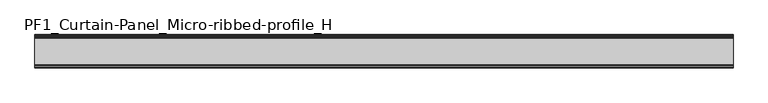
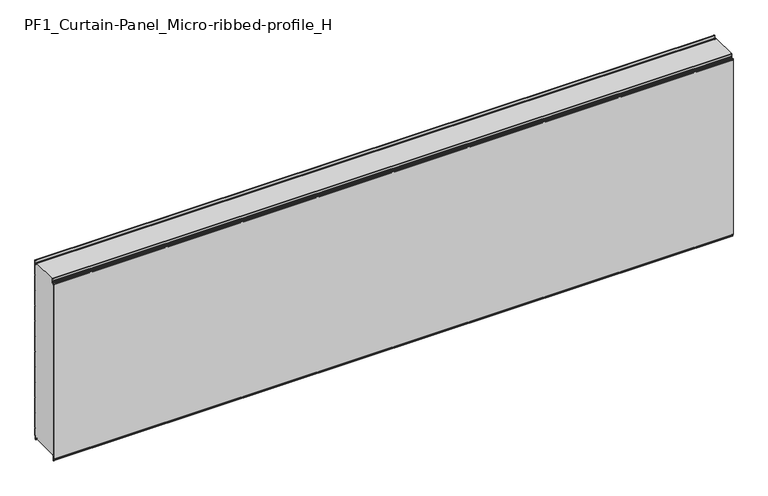
"""IFC4 building model written with IfcOpenShell, lengths in millimetres: plate geometry, PF1_Curtain-Panel_Micro-ribbed-profile_H."""

from ifc_helpers import new_model, si_unit, point, frame, frame_2d, origin, place, context, project, spatial, polyline, circle_curve, trimmed, segment, composite_curve, outline, extrude, source, transform, mapped, element, save


def pf1_curtain_panel_micro_ribbed_profile_h_79207805(model_context):
    return source(origin(), model_context, "Body", "SweptSolid", [
        extrude(outline(composite_curve([segment(polyline([(-190.0, 0.0), (-193.5, 0.0)]), True, "CONTINUOUS"), segment(trimmed(circle_curve(frame_2d((-193.5, -2.0)), 2.0), [point((-193.5, 0.0))], [point((-195.5, -2.0))], True, "CARTESIAN"), True, "CONTINUOUS"), segment(polyline([(-195.5, -2.0), (-195.5, -33.0)]), True, "CONTINUOUS"), segment(trimmed(circle_curve(frame_2d((-196.5, -33.0)), 1.0), [point((-195.5, -33.0))], [point((-197.5, -33.0))], False, "CARTESIAN"), True, "CONTINUOUS"), segment(polyline([(-197.5, -33.0), (-197.5, -26.9)]), True, "CONTINUOUS"), segment(trimmed(circle_curve(frame_2d((-198.4, -26.9)), 0.9), [point((-197.5, -26.9))], [point((-198.4, -26.0))], True, "CARTESIAN"), True, "CONTINUOUS"), segment(trimmed(circle_curve(frame_2d((-198.4, -24.4)), 1.6), [point((-198.4, -26.0))], [point((-200.0, -24.4))], False, "CARTESIAN"), True, "CONTINUOUS"), segment(polyline([(-200.0, -24.4), (-200.0, 1123.168846)]), True, "CONTINUOUS"), segment(trimmed(circle_curve(frame_2d((-199.0, 1123.168846)), 1.0), [point((-200.0, 1123.168846))], [point((-198.0, 1123.168846))], False, "CARTESIAN"), True, "CONTINUOUS"), segment(polyline([(-198.0, 1123.168846), (-198.0, 1117.168846)]), True, "CONTINUOUS"), segment(trimmed(circle_curve(frame_2d((-196.5, 1117.168846)), 1.5), [point((-198.0, 1117.168846))], [point((-195.0, 1117.168846))], True, "CARTESIAN"), True, "CONTINUOUS"), segment(polyline([(-195.0, 1117.168846), (-195.0, 1117.9964664)]), True, "CONTINUOUS"), segment(trimmed(circle_curve(frame_2d((-188.8276204, 1117.9964664)), 6.1723796), [point((-195.0, 1117.9964664))], [point((-188.8276204, 1124.168846))], False, "CARTESIAN"), True, "CONTINUOUS"), segment(polyline([(-188.8276204, 1124.168846), (-188.0, 1124.168846)]), True, "CONTINUOUS"), segment(trimmed(circle_curve(frame_2d((-188.0, 1125.168846)), 1.0), [point((-188.0, 1124.168846))], [point((-187.0, 1125.168846))], True, "CARTESIAN"), True, "CONTINUOUS"), segment(polyline([(-187.0, 1125.168846), (-187.0, 1131.6688472), (-185.4999999, 1133.168846), (-187.0, 1134.6688448), (-187.0, 1146.568846)]), True, "CONTINUOUS"), segment(trimmed(circle_curve(frame_2d((-184.4, 1146.568846)), 2.6), [point((-187.0, 1146.568846))], [point((-184.4, 1149.168846))], False, "CARTESIAN"), True, "CONTINUOUS"), segment(polyline([(-184.4, 1149.168846), (-183.0, 1149.168846), (-183.0, 1148.368846), (-184.4, 1148.368846)]), True, "CONTINUOUS"), segment(trimmed(circle_curve(frame_2d((-184.4, 1146.568846)), 1.8), [point((-184.4, 1148.368846))], [point((-186.2, 1146.568846))], True, "CARTESIAN"), True, "CONTINUOUS"), segment(polyline([(-186.2, 1146.568846), (-186.2, 1135.0002158), (-184.3686285, 1133.168846), (-186.2, 1131.3374762), (-186.2, 1125.168846)]), True, "CONTINUOUS"), segment(trimmed(circle_curve(frame_2d((-188.0, 1125.168846)), 1.8), [point((-186.2, 1125.168846))], [point((-188.0, 1123.368846))], False, "CARTESIAN"), True, "CONTINUOUS"), segment(polyline([(-188.0, 1123.368846), (-188.8276204, 1123.368846)]), True, "CONTINUOUS"), segment(trimmed(circle_curve(frame_2d((-188.8276204, 1117.9964664)), 5.3723796), [point((-188.8276204, 1123.368846))], [point((-194.2, 1117.9964664))], True, "CARTESIAN"), True, "CONTINUOUS"), segment(polyline([(-194.2, 1117.9964664), (-194.2, 1117.168846)]), True, "CONTINUOUS"), segment(trimmed(circle_curve(frame_2d((-196.4, 1117.168846)), 2.2), [point((-194.2, 1117.168846))], [point((-198.6, 1117.168846))], False, "CARTESIAN"), True, "CONTINUOUS"), segment(polyline([(-198.6, 1117.168846), (-198.6, 1123.0579973)]), True, "CONTINUOUS"), segment(trimmed(circle_curve(frame_2d((-198.9, 1123.0579973)), 0.3), [point((-198.6, 1123.0579973))], [point((-199.2, 1123.0579973))], True, "CARTESIAN"), True, "CONTINUOUS"), segment(polyline([(-199.2, 1123.0579973), (-199.2, -24.4)]), True, "CONTINUOUS"), segment(trimmed(circle_curve(frame_2d((-198.4, -24.4)), 0.8), [point((-199.2, -24.4))], [point((-198.4, -25.2))], True, "CARTESIAN"), True, "CONTINUOUS"), segment(trimmed(circle_curve(frame_2d((-198.6133333, -26.9)), 1.7133333), [point((-198.4, -25.2))], [point((-196.9, -26.9))], False, "CARTESIAN"), True, "CONTINUOUS"), segment(polyline([(-196.9, -26.9), (-196.9, -32.8700312)]), True, "CONTINUOUS"), segment(trimmed(circle_curve(frame_2d((-196.6, -32.8700312)), 0.3), [point((-196.9, -32.8700312))], [point((-196.3, -32.8700312))], True, "CARTESIAN"), True, "CONTINUOUS"), segment(polyline([(-196.3, -32.8700312), (-196.3, -2.0)]), True, "CONTINUOUS"), segment(trimmed(circle_curve(frame_2d((-193.5, -2.0)), 2.8), [point((-196.3, -2.0))], [point((-193.5, 0.8))], False, "CARTESIAN"), True, "CONTINUOUS"), segment(polyline([(-193.5, 0.8), (-190.0, 0.8), (-190.0, 0.0)]), True, "CONTINUOUS")], self_intersect=False)), frame((-2100.0, 0.0, 0.0), z_axis=(1.0, 0.0, 0.0), x_axis=(0.0, 1.0, 0.0)), (0.0, 0.0, 1.0), 4200.0),
        extrude(outline(composite_curve([segment(polyline([(-15.878557, 0.0), (-20.0, 0.0), (-20.0, 0.8), (-15.878557, 0.8)]), True, "CONTINUOUS"), segment(trimmed(circle_curve(frame_2d((-15.878557, -2.0)), 2.8), [point((-15.878557, 0.8))], [point((-13.1503208, -1.370137))], False, "CARTESIAN"), True, "CONTINUOUS"), segment(polyline([(-13.1503208, -1.370137), (-11.728236, -7.529863)]), True, "CONTINUOUS"), segment(trimmed(circle_curve(frame_2d((-9.0, -6.9)), 2.8), [point((-11.728236, -7.529863))], [point((-6.2, -6.9))], True, "CARTESIAN"), True, "CONTINUOUS"), segment(polyline([(-6.2, -6.9), (-6.2, 8.6)]), True, "CONTINUOUS"), segment(trimmed(circle_curve(frame_2d((-3.4, 8.6)), 2.8), [point((-6.2, 8.6))], [point((-3.4, 11.4))], False, "CARTESIAN"), True, "CONTINUOUS"), segment(polyline([(-3.4, 11.4), (-2.0, 11.4)]), True, "CONTINUOUS"), segment(trimmed(circle_curve(frame_2d((-2.0, 12.6)), 1.2), [point((-2.0, 11.4))], [point((-0.8, 12.6))], True, "CARTESIAN"), True, "CONTINUOUS"), segment(polyline([(-0.8, 12.6), (-0.8, 57.6856412), (-2.482606, 60.6), (-0.8, 63.5143588), (-0.8, 157.6856412), (-2.482606, 160.6), (-0.8, 163.5143588), (-0.8, 257.6856412), (-2.482606, 260.6), (-0.8, 263.5143588), (-0.8, 357.6856412), (-2.482606, 360.6), (-0.8, 363.5143588), (-0.8, 457.6856412), (-2.482606, 460.6), (-0.8, 463.5143588), (-0.8, 557.6856412), (-2.482606, 560.6), (-0.8, 563.5143588), (-0.8, 657.6856412), (-2.482606, 660.6), (-0.8, 663.5143588), (-0.8, 757.6856412), (-2.482606, 760.6), (-0.8, 763.5143588), (-0.8, 857.6856412), (-2.482606, 860.6), (-0.8, 863.5143588), (-0.8, 957.6856412), (-2.482606, 960.6), (-0.8, 963.5143588), (-0.8, 1057.6856412), (-2.482606, 1060.6), (-0.8, 1063.5143588), (-0.8, 1158.268846)]), True, "CONTINUOUS"), segment(trimmed(circle_curve(frame_2d((-2.5, 1158.268846)), 1.7), [point((-0.8, 1158.268846))], [point((-4.2, 1158.268846))], True, "CARTESIAN"), True, "CONTINUOUS"), segment(polyline([(-4.2, 1158.268846), (-4.2, 1141.268846)]), True, "CONTINUOUS"), segment(trimmed(circle_curve(frame_2d((-9.0, 1141.268846)), 4.8), [point((-4.2, 1141.268846))], [point((-13.7270771, 1140.4353344))], False, "CARTESIAN"), True, "CONTINUOUS"), segment(polyline([(-13.7270771, 1140.4353344), (-14.8636953, 1146.8814129)]), True, "CONTINUOUS"), segment(trimmed(circle_curve(frame_2d((-16.6363492, 1146.568846)), 1.8), [point((-14.8636953, 1146.8814129))], [point((-16.6363492, 1148.368846))], True, "CARTESIAN"), True, "CONTINUOUS"), segment(polyline([(-16.6363492, 1148.368846), (-20.0, 1148.368846), (-20.0, 1149.168846), (-16.6363492, 1149.168846)]), True, "CONTINUOUS"), segment(trimmed(circle_curve(frame_2d((-16.6363492, 1146.568846)), 2.6), [point((-16.6363492, 1149.168846))], [point((-14.0758491, 1147.0203315))], False, "CARTESIAN"), True, "CONTINUOUS"), segment(polyline([(-14.0758491, 1147.0203315), (-12.939231, 1140.574253)]), True, "CONTINUOUS"), segment(trimmed(circle_curve(frame_2d((-9.0, 1141.268846)), 4.0), [point((-12.939231, 1140.574253))], [point((-5.0, 1141.268846))], True, "CARTESIAN"), True, "CONTINUOUS"), segment(polyline([(-5.0, 1141.268846), (-5.0, 1158.268846)]), True, "CONTINUOUS"), segment(trimmed(circle_curve(frame_2d((-2.5, 1158.268846)), 2.5), [point((-5.0, 1158.268846))], [point((0.0, 1158.268846))], False, "CARTESIAN"), True, "CONTINUOUS"), segment(polyline([(0.0, 1158.268846), (0.0, 1063.2999995), (-1.5588455, 1060.6), (0.0, 1057.9000005), (0.0, 963.2999995), (-1.5588455, 960.6), (0.0, 957.9000005), (0.0, 863.2999995), (-1.5588455, 860.6), (0.0, 857.9000005), (0.0, 763.2999995), (-1.5588455, 760.6), (0.0, 757.9000005), (0.0, 663.2999995), (-1.5588455, 660.6), (0.0, 657.9000005), (0.0, 563.2999995), (-1.5588455, 560.6), (0.0, 557.9000005), (0.0, 463.2999995), (-1.5588455, 460.6), (0.0, 457.9000005), (0.0, 363.2999995), (-1.5588455, 360.6), (0.0, 357.9000005), (0.0, 263.2999995), (-1.5588455, 260.6), (0.0, 257.9000005), (0.0, 163.2999995), (-1.5588455, 160.6), (0.0, 157.9000005), (0.0, 63.2999995), (-1.5588455, 60.6), (0.0, 57.9000005), (0.0, 12.6)]), True, "CONTINUOUS"), segment(trimmed(circle_curve(frame_2d((-2.0, 12.6)), 2.0), [point((0.0, 12.6))], [point((-2.0, 10.6))], False, "CARTESIAN"), True, "CONTINUOUS"), segment(polyline([(-2.0, 10.6), (-3.4, 10.6)]), True, "CONTINUOUS"), segment(trimmed(circle_curve(frame_2d((-3.4, 8.6)), 2.0), [point((-3.4, 10.6))], [point((-5.4, 8.6))], True, "CARTESIAN"), True, "CONTINUOUS"), segment(polyline([(-5.4, 8.6), (-5.4, -6.9)]), True, "CONTINUOUS"), segment(trimmed(circle_curve(frame_2d((-9.0, -6.9)), 3.6), [point((-5.4, -6.9))], [point((-12.5077322, -7.7098239))], False, "CARTESIAN"), True, "CONTINUOUS"), segment(polyline([(-12.5077322, -7.7098239), (-13.929817, -1.5500979)]), True, "CONTINUOUS"), segment(trimmed(circle_curve(frame_2d((-15.878557, -2.0)), 2.0), [point((-13.929817, -1.5500979))], [point((-15.878557, 0.0))], True, "CARTESIAN"), True, "CONTINUOUS")], self_intersect=False)), frame((-2100.0, 0.0, 0.0), z_axis=(1.0, 0.0, 0.0), x_axis=(0.0, 1.0, 0.0)), (0.0, 0.0, 1.0), 4200.0),
        extrude(outline(composite_curve([segment(polyline([(-190.0, 0.8), (-193.5, 0.8)]), True, "CONTINUOUS"), segment(trimmed(circle_curve(frame_2d((-193.5, -2.0)), 2.8), [point((-193.5, 0.8))], [point((-196.3, -2.0))], True, "CARTESIAN"), True, "CONTINUOUS"), segment(polyline([(-196.3, -2.0), (-196.3, -32.8700312)]), True, "CONTINUOUS"), segment(trimmed(circle_curve(frame_2d((-196.6, -32.8700312)), 0.3), [point((-196.3, -32.8700312))], [point((-196.9, -32.8700312))], False, "CARTESIAN"), True, "CONTINUOUS"), segment(polyline([(-196.9, -32.8700312), (-196.9, -26.9)]), True, "CONTINUOUS"), segment(trimmed(circle_curve(frame_2d((-198.6133333, -26.9)), 1.7133333), [point((-196.9, -26.9))], [point((-198.4, -25.2))], True, "CARTESIAN"), True, "CONTINUOUS"), segment(trimmed(circle_curve(frame_2d((-198.4, -24.4)), 0.8), [point((-198.4, -25.2))], [point((-199.2, -24.4))], False, "CARTESIAN"), True, "CONTINUOUS"), segment(polyline([(-199.2, -24.4), (-199.2, 1123.0579973)]), True, "CONTINUOUS"), segment(trimmed(circle_curve(frame_2d((-198.9, 1123.0579973)), 0.3), [point((-199.2, 1123.0579973))], [point((-198.6, 1123.0579973))], False, "CARTESIAN"), True, "CONTINUOUS"), segment(polyline([(-198.6, 1123.0579973), (-198.6, 1117.168846)]), True, "CONTINUOUS"), segment(trimmed(circle_curve(frame_2d((-196.4, 1117.168846)), 2.2), [point((-198.6, 1117.168846))], [point((-194.2, 1117.168846))], True, "CARTESIAN"), True, "CONTINUOUS"), segment(polyline([(-194.2, 1117.168846), (-194.2, 1117.9964664)]), True, "CONTINUOUS"), segment(trimmed(circle_curve(frame_2d((-188.8276204, 1117.9964664)), 5.3723796), [point((-194.2, 1117.9964664))], [point((-188.8276204, 1123.368846))], False, "CARTESIAN"), True, "CONTINUOUS"), segment(polyline([(-188.8276204, 1123.368846), (-188.0, 1123.368846)]), True, "CONTINUOUS"), segment(trimmed(circle_curve(frame_2d((-188.0, 1125.168846)), 1.8), [point((-188.0, 1123.368846))], [point((-186.2, 1125.168846))], True, "CARTESIAN"), True, "CONTINUOUS"), segment(polyline([(-186.2, 1125.168846), (-186.2, 1131.3374762), (-184.3686285, 1133.168846), (-186.2, 1135.0002158), (-186.2, 1146.568846)]), True, "CONTINUOUS"), segment(trimmed(circle_curve(frame_2d((-184.4, 1146.568846)), 1.8), [point((-186.2, 1146.568846))], [point((-184.4, 1148.368846))], False, "CARTESIAN"), True, "CONTINUOUS"), segment(polyline([(-184.4, 1148.368846), (-183.0, 1148.368846), (-183.0, 1149.168846), (-20.0, 1149.168846), (-20.0, 1148.368846), (-16.6363492, 1148.368846)]), True, "CONTINUOUS"), segment(trimmed(circle_curve(frame_2d((-16.6363492, 1146.568846)), 1.8), [point((-16.6363492, 1148.368846))], [point((-14.8636953, 1146.8814129))], False, "CARTESIAN"), True, "CONTINUOUS"), segment(polyline([(-14.8636953, 1146.8814129), (-13.7270772, 1140.4353344)]), True, "CONTINUOUS"), segment(trimmed(circle_curve(frame_2d((-9.0, 1141.268846)), 4.8), [point((-13.7270772, 1140.4353344))], [point((-4.2, 1141.268846))], True, "CARTESIAN"), True, "CONTINUOUS"), segment(polyline([(-4.2, 1141.268846), (-4.2, 1158.268846)]), True, "CONTINUOUS"), segment(trimmed(circle_curve(frame_2d((-2.5, 1158.268846)), 1.7), [point((-4.2, 1158.268846))], [point((-0.8, 1158.268846))], False, "CARTESIAN"), True, "CONTINUOUS"), segment(polyline([(-0.8, 1158.268846), (-0.8, 1063.5143588), (-2.482606, 1060.6), (-0.8, 1057.6856412), (-0.8, 963.5143588), (-2.482606, 960.6), (-0.8, 957.6856412), (-0.8, 863.5143588), (-2.482606, 860.6), (-0.8, 857.6856412), (-0.8, 763.5143588), (-2.482606, 760.6), (-0.8, 757.6856412), (-0.8, 663.5143588), (-2.482606, 660.6), (-0.8, 657.6856412), (-0.8, 563.5143588), (-2.482606, 560.6), (-0.8, 557.6856412), (-0.8, 463.5143588), (-2.482606, 460.6), (-0.8, 457.6856412), (-0.8, 363.5143588), (-2.482606, 360.6), (-0.8, 357.6856412), (-0.8, 263.5143588), (-2.482606, 260.6), (-0.8, 257.6856412), (-0.8, 163.5143588), (-2.482606, 160.6), (-0.8, 157.6856412), (-0.8, 63.5143588), (-2.482606, 60.6), (-0.8, 57.6856412), (-0.8, 12.6)]), True, "CONTINUOUS"), segment(trimmed(circle_curve(frame_2d((-2.0, 12.6)), 1.2), [point((-0.8, 12.6))], [point((-2.0, 11.4))], False, "CARTESIAN"), True, "CONTINUOUS"), segment(polyline([(-2.0, 11.4), (-3.4, 11.4)]), True, "CONTINUOUS"), segment(trimmed(circle_curve(frame_2d((-3.4, 8.6)), 2.8), [point((-3.4, 11.4))], [point((-6.2, 8.6))], True, "CARTESIAN"), True, "CONTINUOUS"), segment(polyline([(-6.2, 8.6), (-6.2, -6.9)]), True, "CONTINUOUS"), segment(trimmed(circle_curve(frame_2d((-9.0, -6.9)), 2.8), [point((-6.2, -6.9))], [point((-11.7282362, -7.529863))], False, "CARTESIAN"), True, "CONTINUOUS"), segment(polyline([(-11.7282362, -7.529863), (-13.1503208, -1.370137)]), True, "CONTINUOUS"), segment(trimmed(circle_curve(frame_2d((-15.878557, -2.0)), 2.8), [point((-13.1503208, -1.370137))], [point((-15.878557, 0.8))], True, "CARTESIAN"), True, "CONTINUOUS"), segment(polyline([(-15.878557, 0.8), (-20.0, 0.8), (-20.0, 0.0), (-190.0, 0.0), (-190.0, 0.8)]), True, "CONTINUOUS")], self_intersect=False)), frame((-2100.0, 0.0, 0.0), z_axis=(1.0, 0.0, 0.0), x_axis=(0.0, 1.0, 0.0)), (0.0, 0.0, 1.0), 4200.0),
    ])


if __name__ == "__main__":
    model = new_model("IFC4")
    model_context = context("Model", 3, world=origin())
    ifc_project = project(units=[si_unit("LENGTHUNIT", "METRE", prefix="MILLI")], contexts=[model_context])
    site = spatial("IfcSite", under=ifc_project)
    building = spatial("IfcBuilding", under=site)
    placement = place(None, origin())
    pf1_curtain_panel_micro_ribbed_profile_h_shape = pf1_curtain_panel_micro_ribbed_profile_h_79207805(model_context)
    element("IfcPlate", 1, ObjectType="PF1_Curtain-Panel_Micro-ribbed-profile_H", at=placement, inside=building, context=model_context, shape_type="MappedRepresentation", body=[
        mapped(pf1_curtain_panel_micro_ribbed_profile_h_shape, transform((0.0, 0.0, 0.0), x_axis=(1.0, 0.0, 0.0), y_axis=(0.0, 1.0, 0.0), z_axis=(0.0, 0.0, 1.0))),
    ])
    save(model, "model.ifc")
